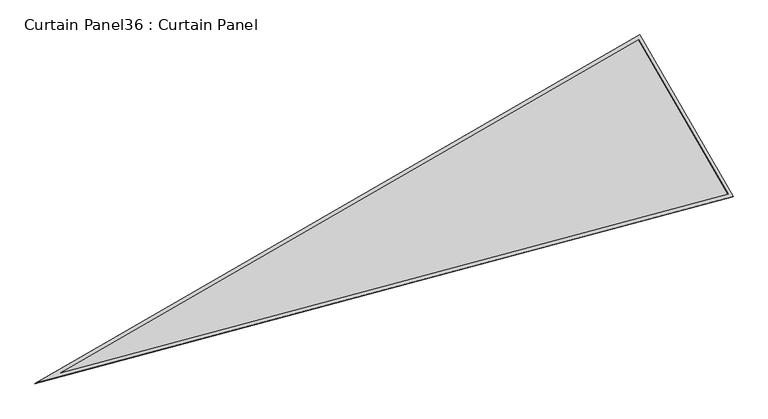
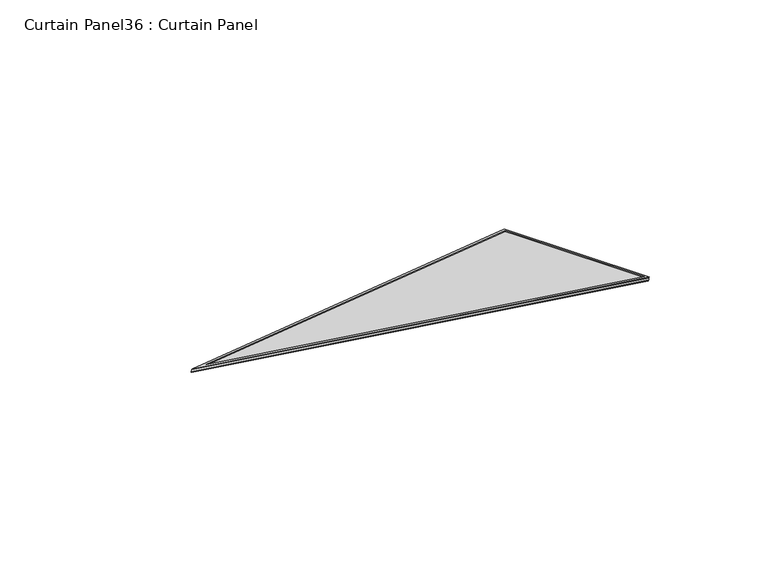
"""IFC4 building model written with IfcOpenShell, lengths in millimetres: plate geometry, Curtain Panel36 : Curtain Panel."""

import ifcopenshell
import ifcopenshell.guid

model = None  # the IFC model being written
_history = None  # IfcOwnerHistory: only IFC2X3 demands one
_inside = {}  # id of a spatial element -> (the spatial element, [elements in it])
_under = {}  # id of a project, library or spatial element -> (it, [spatial elements below it])
_declared = {}  # id of a project -> (the project, [libraries it declares])
_typed = {}  # id of a type object -> (the type object, [elements of that type])
_made_of = {}  # id of a material, layer set ... -> (it, [elements and type objects made of it])


def new_model(schema):
    """Start an empty IFC model of exactly this schema.

    Asked for "IFC4X3", IfcOpenShell would pick the latest addendum, in which some entities
    have other attributes; the version numbers below select the first issue.
    IFC2X3 requires an IfcOwnerHistory on every rooted entity: one is made here for all.
    """
    global model, _history
    if schema == "IFC4X3":
        model = ifcopenshell.file(schema_version=(4, 3, 0, 0))
    else:
        model = ifcopenshell.file(schema=schema)
    _inside.clear()
    _under.clear()
    _declared.clear()
    _typed.clear()
    _made_of.clear()
    _history = None
    if model.schema == "IFC2X3":
        org = make("IfcOrganization", Name="unknown")
        user = make(
            "IfcPersonAndOrganization",
            ThePerson=make("IfcPerson", FamilyName="unknown"),
            TheOrganization=org,
        )
        app = make(
            "IfcApplication",
            ApplicationDeveloper=org,
            Version="unknown",
            ApplicationFullName="unknown",
            ApplicationIdentifier="unknown",
        )
        _history = make(
            "IfcOwnerHistory",
            OwningUser=user,
            OwningApplication=app,
            ChangeAction="ADDED",
            CreationDate=0,
        )
    return model


def make(cls, **values):
    """One entity of the class cls with the attributes given. An attribute that is None is left unset."""
    return model.create_entity(
        cls, **{name: value for name, value in values.items() if value is not None}
    )


def rooted(cls, **values):
    """An entity with a GlobalId (a new one), such as an element, a storey or a relation."""
    return make(cls, GlobalId=ifcopenshell.guid.new(), OwnerHistory=_history, **values)


def si_unit(unit_type, name, prefix=None):
    """IfcSIUnit, for example si_unit("LENGTHUNIT", "METRE", prefix="MILLI")."""
    return make("IfcSIUnit", UnitType=unit_type, Prefix=prefix, Name=name)


def assignment(units):
    """IfcUnitAssignment: the units of a project."""
    return None if units is None else make("IfcUnitAssignment", Units=units)


def point(xyz):
    """IfcCartesianPoint."""
    return None if xyz is None else make("IfcCartesianPoint", Coordinates=xyz)


def direction(xyz):
    """IfcDirection."""
    return None if xyz is None else make("IfcDirection", DirectionRatios=xyz)


def frame(location, z_axis=None, x_axis=None):
    """IfcAxis2Placement3D, a coordinate frame: its origin and axes. An axis left out is left unset."""
    return make(
        "IfcAxis2Placement3D",
        Location=point(location),
        Axis=direction(z_axis),
        RefDirection=direction(x_axis),
    )


def origin():
    """The frame at (0, 0, 0) with its axes left unset."""
    return frame((0.0, 0.0, 0.0))


def place(relative_to, where):
    """IfcLocalPlacement: puts the frame where relative to a parent placement (None: the world)."""
    return make(
        "IfcLocalPlacement", PlacementRelTo=relative_to, RelativePlacement=where
    )


def context(
    kind, dimensions, precision=None, world=None, true_north=None, identifier=None
):
    """IfcGeometricRepresentationContext, for example the 3D "Model" context."""
    return make(
        "IfcGeometricRepresentationContext",
        ContextIdentifier=identifier,
        ContextType=kind,
        CoordinateSpaceDimension=dimensions,
        Precision=precision,
        WorldCoordinateSystem=world,
        TrueNorth=true_north,
    )


def project(units=None, contexts=None):
    """IfcProject with its units and contexts."""
    return rooted(
        "IfcProject",
        Name="project",
        RepresentationContexts=contexts,
        UnitsInContext=assignment(units),
    )


def spatial(cls, under=None, at=None, **own):
    """A site, building, storey or space (cls), placed at a placement, below another one or the project."""
    s = rooted(cls, ObjectPlacement=at, **own)
    if under is not None:
        _under.setdefault(under.id(), (under, []))[1].append(s)
    return s


def polyline(points):
    """IfcPolyline through the points."""
    return make("IfcPolyline", Points=[point(p) for p in points])


def outline(outer, holes=None, kind="AREA"):
    """IfcArbitraryClosedProfileDef: a profile drawn as a closed curve; with holes, ...WithVoids."""
    if holes is None:
        return make("IfcArbitraryClosedProfileDef", ProfileType=kind, OuterCurve=outer)
    return make(
        "IfcArbitraryProfileDefWithVoids",
        ProfileType=kind,
        OuterCurve=outer,
        InnerCurves=holes,
    )


def extrude(swept, where, along, depth):
    """IfcExtrudedAreaSolid: the profile swept, set in the frame where, extruded along a direction by depth."""
    return make(
        "IfcExtrudedAreaSolid",
        SweptArea=swept,
        Position=where,
        ExtrudedDirection=direction(along),
        Depth=depth,
    )


def shape(context_of_items, identifier, shape_type, items):
    """IfcShapeRepresentation: the items that make up one representation, for example the "Body"."""
    return make(
        "IfcShapeRepresentation",
        ContextOfItems=context_of_items,
        RepresentationIdentifier=identifier,
        RepresentationType=shape_type,
        Items=items,
    )


def source(mapping_origin, context_of_items, identifier, shape_type, items):
    """IfcRepresentationMap: a shape defined once, which mapped items show again and again."""
    return make(
        "IfcRepresentationMap",
        MappingOrigin=mapping_origin,
        MappedRepresentation=shape(context_of_items, identifier, shape_type, items),
    )


def transform(
    local_origin,
    x_axis=None,
    y_axis=None,
    z_axis=None,
    scale=None,
    scale2=None,
    scale3=None,
    uniform=True,
):
    """IfcCartesianTransformationOperator3D, or its non-uniform kind. x_axis, y_axis, z_axis: its Axis1, 2, 3."""
    if uniform:
        return make(
            "IfcCartesianTransformationOperator3D",
            Axis1=direction(x_axis),
            Axis2=direction(y_axis),
            LocalOrigin=point(local_origin),
            Scale=scale,
            Axis3=direction(z_axis),
        )
    return make(
        "IfcCartesianTransformationOperator3DnonUniform",
        Axis1=direction(x_axis),
        Axis2=direction(y_axis),
        LocalOrigin=point(local_origin),
        Scale=scale,
        Axis3=direction(z_axis),
        Scale2=scale2,
        Scale3=scale3,
    )


def mapped(mapping_source, mapping_target):
    """IfcMappedItem: shows the shape of a source again, moved by a transform."""
    return make(
        "IfcMappedItem", MappingSource=mapping_source, MappingTarget=mapping_target
    )


def made_of(thing, what):
    """Note that an element or type object is made of a material, layer set ...; save() writes the relation."""
    if what is not None:
        _made_of.setdefault(what.id(), (what, []))[1].append(thing)
    return thing


def element(
    cls,
    number,
    at=None,
    inside=None,
    cuts=None,
    type_object=None,
    material=None,
    context=None,
    identifier="Body",
    shape_type=None,
    held_by="IfcProductDefinitionShape",
    body=None,
    shapes=None,
    **own,
):
    """One element of the class cls, such as IfcWall. Its Tag is "e" and its number.

    at: its placement. inside: the storey or other place that contains it. cuts: it is an
    opening in that element (IfcRelVoidsElement). A single representation is given by context,
    identifier, shape_type and body (its items); several are given by shapes. held_by: the class
    of the entity that holds the representations. save() writes the other relations.
    """
    e = rooted(cls, Tag="e%d" % number, ObjectPlacement=at, **own)
    if body is not None:
        shapes = [shape(context, identifier, shape_type, body)]
    if shapes is not None:
        e.Representation = make(held_by, Representations=shapes)
    if inside is not None:
        _inside.setdefault(inside.id(), (inside, []))[1].append(e)
    if cuts is not None:
        rooted(
            "IfcRelVoidsElement", RelatingBuildingElement=cuts, RelatedOpeningElement=e
        )
    if type_object is not None:
        _typed.setdefault(type_object.id(), (type_object, []))[1].append(e)
    return made_of(e, material)


def aggregate(whole, parts):
    """IfcRelAggregates: a whole, such as a stair, and the parts it consists of."""
    return rooted("IfcRelAggregates", RelatingObject=whole, RelatedObjects=parts)


def save(model, path):
    """Write the relations noted so far, then the file.

    IfcRelAggregates (storeys below a building ...), IfcRelContainedInSpatialStructure (elements
    in a storey), IfcRelDefinesByType, IfcRelAssociatesMaterial and IfcRelDeclares: one each for
    every whole, place, type object, material and project.
    """
    for whole, parts in _under.values():
        aggregate(whole, parts)
    for where, things in _inside.values():
        rooted(
            "IfcRelContainedInSpatialStructure",
            RelatedElements=things,
            RelatingStructure=where,
        )
    for kind, things in _typed.values():
        rooted("IfcRelDefinesByType", RelatedObjects=things, RelatingType=kind)
    for what, things in _made_of.values():
        rooted("IfcRelAssociatesMaterial", RelatedObjects=things, RelatingMaterial=what)
    for by, libraries in _declared.values():
        rooted("IfcRelDeclares", RelatingContext=by, RelatedDefinitions=libraries)
    model.write(path)


def curtain_panel36_curtain_panel_c9a68da6(model_context):
    return source(origin(), model_context, "Body", "SweptSolid", [
        extrude(outline(polyline([(895.9373554, 0.0), (0.0, -3524.4506618), (0.0, 0.0), (895.9373554, 0.0)]), holes=[polyline([(874.508816, -16.6627979), (16.6627979, -16.662798), (16.6627979, -3391.2692346), (874.508816, -16.6627979)])]), frame((18486.6218625, 3908.1040966, 898.7054589), z_axis=(0.27379031486168487, 0.1580729119869032, 0.9487106081329123), x_axis=(0.49999999999999417, -0.866025403784442, 0.0)), (0.0, 0.0, 1.0), 4.84641),
        extrude(outline(polyline([(895.9373554, 0.0), (0.0, -3524.4506618), (0.0, 0.0), (895.9373554, 0.0)]), holes=[polyline([(882.6749851, -10.3127979), (10.3127979, -10.3127979), (10.3127979, -3442.0231397), (882.6749851, -10.3127979)])]), frame((18481.7942301, 3905.3168617, 881.9772337), z_axis=(0.27379031486168615, 0.15807291198690387, 0.9487106081329119), x_axis=(0.49999999999999406, -0.8660254037844421, 0.0)), (0.0, 0.0, 1.0), 4.7848467),
        extrude(outline(polyline([(12.7, 0.0), (908.6373554, 0.0), (12.7, -3524.4506618), (12.7, 0.0)])), frame((18476.7542748, 3917.071739, 886.5166685), z_axis=(0.27379031486168015, 0.15807291198690002, 0.9487106081329143), x_axis=(0.49999999999999256, -0.866025403784443, 0.0)), (0.0, 0.0, 1.0), 12.8477434),
    ])


if __name__ == "__main__":
    model = new_model("IFC4")
    model_context = context("Model", 3, world=origin())
    ifc_project = project(units=[si_unit("LENGTHUNIT", "METRE", prefix="MILLI")], contexts=[model_context])
    site = spatial("IfcSite", under=ifc_project)
    building = spatial("IfcBuilding", under=site)
    placement = place(None, origin())
    curtain_panel36_curtain_panel_shape = curtain_panel36_curtain_panel_c9a68da6(model_context)
    element("IfcPlate", 1, ObjectType="Curtain Panel36 : Curtain Panel", at=placement, inside=building, context=model_context, shape_type="MappedRepresentation", body=[
        mapped(curtain_panel36_curtain_panel_shape, transform((0.0, 0.0, 0.0), x_axis=(1.0, 0.0, 0.0), y_axis=(0.0, 1.0, 0.0), z_axis=(0.0, 0.0, 1.0))),
    ])
    save(model, "model.ifc")
